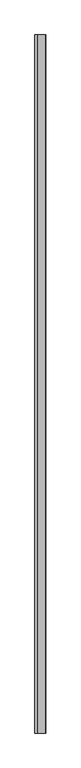
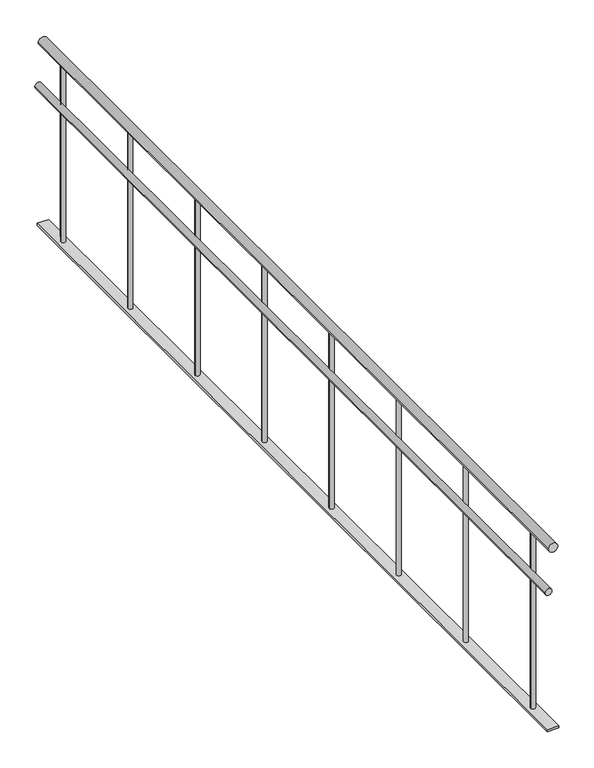
"""IFC4 building model written with IfcOpenShell, lengths in millimetres: railing geometry."""

from ifc_helpers import new_model, si_unit, point, frame, frame_2d, origin, place, context, project, spatial, polyline, circle_curve, trimmed, segment, composite_curve, outline, extrude, source, transform, mapped, element, save


def railing_42313bf5(model_context):
    return source(origin(), model_context, "Body", "SweptSolid", [
        extrude(outline(composite_curve([segment(trimmed(circle_curve(frame_2d((880.0, -4354.9887159)), 20.0), [point((880.0, -4334.9887159))], [point((880.0, -4374.9887159))], False, "CARTESIAN"), True, "CONTINUOUS"), segment(trimmed(circle_curve(frame_2d((880.0, -4354.9887159)), 20.0), [point((880.0, -4374.9887159))], [point((880.0, -4334.9887159))], False, "CARTESIAN"), True, "CONTINUOUS")], self_intersect=False)), frame((0.0, 6893.1079487, 0.0), z_axis=(0.0, 1.0, 0.0), x_axis=(0.0, 0.0, 1.0)), (0.0, 0.0, 1.0), 3800.0),
        extrude(outline(composite_curve([segment(trimmed(circle_curve(frame_2d((685.0, -4374.9887159)), 15.0), [point((685.0, -4359.9887159))], [point((685.0, -4389.9887159))], False, "CARTESIAN"), True, "CONTINUOUS"), segment(trimmed(circle_curve(frame_2d((685.0, -4374.9887159)), 15.0), [point((685.0, -4389.9887159))], [point((685.0, -4359.9887159))], False, "CARTESIAN"), True, "CONTINUOUS")], self_intersect=False)), frame((0.0, 6893.1079487, 0.0), z_axis=(0.0, 1.0, 0.0), x_axis=(0.0, 0.0, 1.0)), (0.0, 0.0, 1.0), 3800.0),
        extrude(outline(polyline([(-4379.9887159, 10693.1079487), (-4329.9887159, 10693.1079487), (-4329.9887159, 6893.1079487), (-4379.9887159, 6893.1079487), (-4379.9887159, 10693.1079487)])), frame((0.0, 0.0, 50.0), z_axis=(0.0, 0.0, 1.0), x_axis=(1.0, 0.0, 0.0)), (0.0, 0.0, 1.0), 10.0),
        extrude(outline(composite_curve([segment(trimmed(circle_curve(frame_2d((-4354.9887159, 7043.1079487)), 10.0), [point((-4344.9887159, 7043.1079487))], [point((-4364.9887159, 7043.1079487))], False, "CARTESIAN"), True, "CONTINUOUS"), segment(trimmed(circle_curve(frame_2d((-4354.9887159, 7043.1079487)), 10.0), [point((-4364.9887159, 7043.1079487))], [point((-4344.9887159, 7043.1079487))], False, "CARTESIAN"), True, "CONTINUOUS")], self_intersect=False)), frame((0.0, 0.0, 60.0), z_axis=(0.0, 0.0, 1.0), x_axis=(1.0, 0.0, 0.0)), (0.0, 0.0, 1.0), 800.0),
        extrude(outline(composite_curve([segment(trimmed(circle_curve(frame_2d((-4354.9887159, 7543.1079487)), 10.0), [point((-4344.9887159, 7543.1079487))], [point((-4364.9887159, 7543.1079487))], False, "CARTESIAN"), True, "CONTINUOUS"), segment(trimmed(circle_curve(frame_2d((-4354.9887159, 7543.1079487)), 10.0), [point((-4364.9887159, 7543.1079487))], [point((-4344.9887159, 7543.1079487))], False, "CARTESIAN"), True, "CONTINUOUS")], self_intersect=False)), frame((0.0, 0.0, 60.0), z_axis=(0.0, 0.0, 1.0), x_axis=(1.0, 0.0, 0.0)), (0.0, 0.0, 1.0), 800.0),
        extrude(outline(composite_curve([segment(trimmed(circle_curve(frame_2d((-4354.9887159, 8043.1079487)), 10.0), [point((-4344.9887159, 8043.1079487))], [point((-4364.9887159, 8043.1079487))], False, "CARTESIAN"), True, "CONTINUOUS"), segment(trimmed(circle_curve(frame_2d((-4354.9887159, 8043.1079487)), 10.0), [point((-4364.9887159, 8043.1079487))], [point((-4344.9887159, 8043.1079487))], False, "CARTESIAN"), True, "CONTINUOUS")], self_intersect=False)), frame((0.0, 0.0, 60.0), z_axis=(0.0, 0.0, 1.0), x_axis=(1.0, 0.0, 0.0)), (0.0, 0.0, 1.0), 800.0),
        extrude(outline(composite_curve([segment(trimmed(circle_curve(frame_2d((-4354.9887159, 8543.1079487)), 10.0), [point((-4344.9887159, 8543.1079487))], [point((-4364.9887159, 8543.1079487))], False, "CARTESIAN"), True, "CONTINUOUS"), segment(trimmed(circle_curve(frame_2d((-4354.9887159, 8543.1079487)), 10.0), [point((-4364.9887159, 8543.1079487))], [point((-4344.9887159, 8543.1079487))], False, "CARTESIAN"), True, "CONTINUOUS")], self_intersect=False)), frame((0.0, 0.0, 60.0), z_axis=(0.0, 0.0, 1.0), x_axis=(1.0, 0.0, 0.0)), (0.0, 0.0, 1.0), 800.0),
        extrude(outline(composite_curve([segment(trimmed(circle_curve(frame_2d((-4354.9887159, 9043.1079487)), 10.0), [point((-4344.9887159, 9043.1079487))], [point((-4364.9887159, 9043.1079487))], False, "CARTESIAN"), True, "CONTINUOUS"), segment(trimmed(circle_curve(frame_2d((-4354.9887159, 9043.1079487)), 10.0), [point((-4364.9887159, 9043.1079487))], [point((-4344.9887159, 9043.1079487))], False, "CARTESIAN"), True, "CONTINUOUS")], self_intersect=False)), frame((0.0, 0.0, 60.0), z_axis=(0.0, 0.0, 1.0), x_axis=(1.0, 0.0, 0.0)), (0.0, 0.0, 1.0), 800.0),
        extrude(outline(composite_curve([segment(trimmed(circle_curve(frame_2d((-4354.9887159, 9543.1079487)), 10.0), [point((-4344.9887159, 9543.1079487))], [point((-4364.9887159, 9543.1079487))], False, "CARTESIAN"), True, "CONTINUOUS"), segment(trimmed(circle_curve(frame_2d((-4354.9887159, 9543.1079487)), 10.0), [point((-4364.9887159, 9543.1079487))], [point((-4344.9887159, 9543.1079487))], False, "CARTESIAN"), True, "CONTINUOUS")], self_intersect=False)), frame((0.0, 0.0, 60.0), z_axis=(0.0, 0.0, 1.0), x_axis=(1.0, 0.0, 0.0)), (0.0, 0.0, 1.0), 800.0),
        extrude(outline(composite_curve([segment(trimmed(circle_curve(frame_2d((-4354.9887159, 10043.1079487)), 10.0), [point((-4344.9887159, 10043.1079487))], [point((-4364.9887159, 10043.1079487))], False, "CARTESIAN"), True, "CONTINUOUS"), segment(trimmed(circle_curve(frame_2d((-4354.9887159, 10043.1079487)), 10.0), [point((-4364.9887159, 10043.1079487))], [point((-4344.9887159, 10043.1079487))], False, "CARTESIAN"), True, "CONTINUOUS")], self_intersect=False)), frame((0.0, 0.0, 60.0), z_axis=(0.0, 0.0, 1.0), x_axis=(1.0, 0.0, 0.0)), (0.0, 0.0, 1.0), 800.0),
        extrude(outline(composite_curve([segment(trimmed(circle_curve(frame_2d((-4354.9887159, 10543.1079487)), 10.0), [point((-4344.9887159, 10543.1079487))], [point((-4364.9887159, 10543.1079487))], False, "CARTESIAN"), True, "CONTINUOUS"), segment(trimmed(circle_curve(frame_2d((-4354.9887159, 10543.1079487)), 10.0), [point((-4364.9887159, 10543.1079487))], [point((-4344.9887159, 10543.1079487))], False, "CARTESIAN"), True, "CONTINUOUS")], self_intersect=False)), frame((0.0, 0.0, 60.0), z_axis=(0.0, 0.0, 1.0), x_axis=(1.0, 0.0, 0.0)), (0.0, 0.0, 1.0), 800.0),
    ])


if __name__ == "__main__":
    model = new_model("IFC4")
    model_context = context("Model", 3, world=origin())
    ifc_project = project(units=[si_unit("LENGTHUNIT", "METRE", prefix="MILLI")], contexts=[model_context])
    site = spatial("IfcSite", under=ifc_project)
    building = spatial("IfcBuilding", under=site)
    placement = place(None, origin())
    railing_shape = railing_42313bf5(model_context)
    element("IfcRailing", 1, at=placement, inside=building, context=model_context, shape_type="MappedRepresentation", body=[
        mapped(railing_shape, transform((0.0, 0.0, 0.0), x_axis=(1.0, 0.0, 0.0), y_axis=(0.0, 1.0, 0.0), z_axis=(0.0, 0.0, 1.0))),
    ])
    save(model, "model.ifc")
